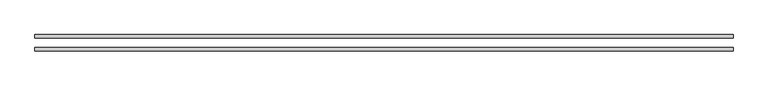
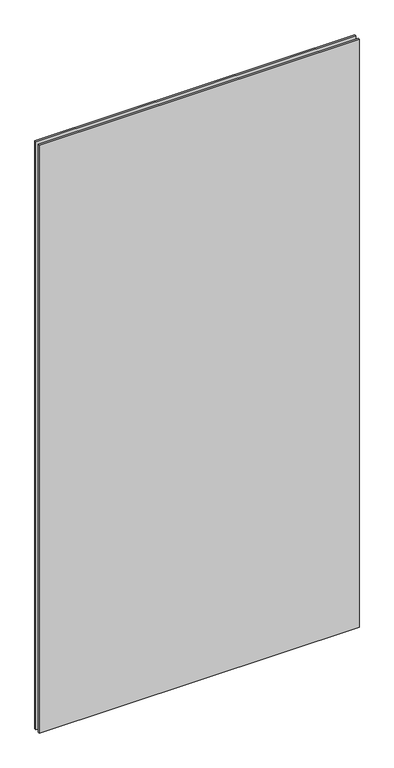
"""IFC4 building model written with IfcOpenShell, lengths in millimetres: plate geometry."""

from ifc_helpers import new_model, si_unit, origin, origin_with_axes, place, context, project, spatial, polyline, outline, extrude, source, transform, mapped, element, save


def plate_64192f5c(model_context):
    return source(origin(), model_context, "Body", "SweptSolid", [
        extrude(outline(polyline([(-599.1113541, 14.0), (599.1113541, 14.0), (599.1113541, 8.0), (-599.1113541, 8.0), (-599.1113541, 14.0)])), origin_with_axes(), (0.0, 0.0, 1.0), 2328.9085582),
        extrude(outline(polyline([(-599.1113541, -8.0), (599.1113541, -8.0), (599.1113541, -14.0), (-599.1113541, -14.0), (-599.1113541, -8.0)])), origin_with_axes(), (0.0, 0.0, 1.0), 2328.9085582),
    ])


if __name__ == "__main__":
    model = new_model("IFC4")
    model_context = context("Model", 3, world=origin())
    ifc_project = project(units=[si_unit("LENGTHUNIT", "METRE", prefix="MILLI")], contexts=[model_context])
    site = spatial("IfcSite", under=ifc_project)
    building = spatial("IfcBuilding", under=site)
    placement = place(None, origin())
    plate_shape = plate_64192f5c(model_context)
    element("IfcPlate", 1, at=placement, inside=building, context=model_context, shape_type="MappedRepresentation", body=[
        mapped(plate_shape, transform((0.0, 0.0, 0.0), x_axis=(1.0, 0.0, 0.0), y_axis=(0.0, 1.0, 0.0), z_axis=(0.0, 0.0, 1.0))),
    ])
    save(model, "model.ifc")
